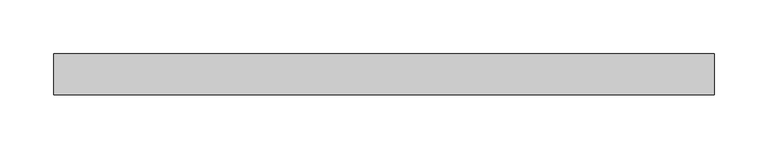
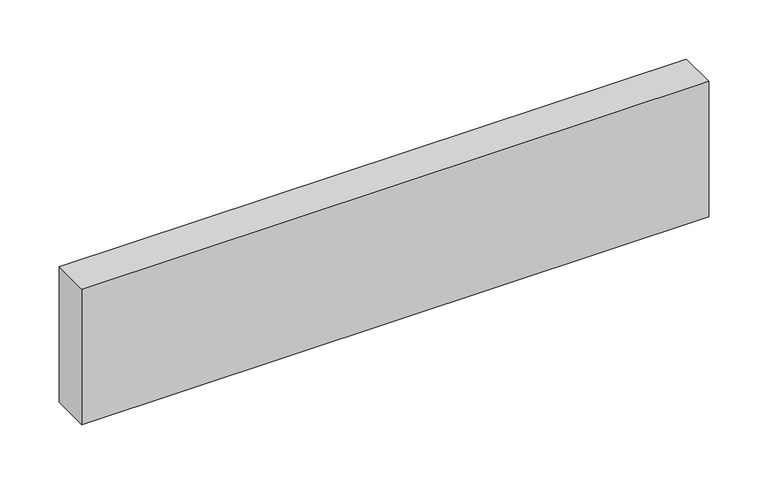
"""IFC4 building model written with IfcOpenShell, lengths in millimetres: beam geometry."""

from ifc_helpers import new_model, si_unit, frame, origin, place, context, project, spatial, polyline, outline, extrude, source, transform, mapped, element, save


def beam_0c1bdc2d(model_context):
    return source(origin(), model_context, "Body", "SweptSolid", [
        extrude(outline(polyline([(306.2882812, -19.05), (-306.2882813, -19.05), (-306.2882813, 19.05), (306.2882812, 19.05), (306.2882812, -19.05)])), frame((0.0, 0.0, -69.85), z_axis=(0.0, 0.0, 1.0), x_axis=(1.0, 0.0, 0.0)), (0.0, 0.0, 1.0), 139.7),
    ])


if __name__ == "__main__":
    model = new_model("IFC4")
    model_context = context("Model", 3, world=origin())
    ifc_project = project(units=[si_unit("LENGTHUNIT", "METRE", prefix="MILLI")], contexts=[model_context])
    site = spatial("IfcSite", under=ifc_project)
    building = spatial("IfcBuilding", under=site)
    placement = place(None, origin())
    beam_shape = beam_0c1bdc2d(model_context)
    element("IfcBeam", 1, at=placement, inside=building, context=model_context, shape_type="MappedRepresentation", body=[
        mapped(beam_shape, transform((0.0, 0.0, 0.0), x_axis=(1.0, 0.0, 0.0), y_axis=(0.0, 1.0, 0.0), z_axis=(0.0, 0.0, 1.0))),
    ])
    save(model, "model.ifc")
